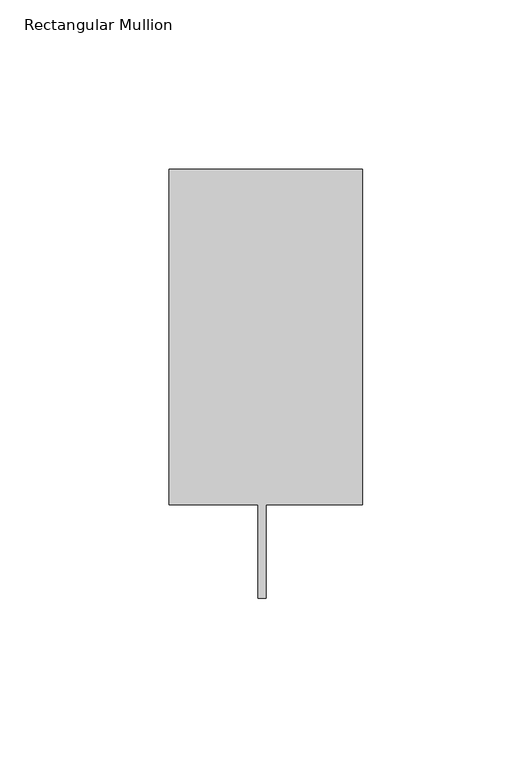
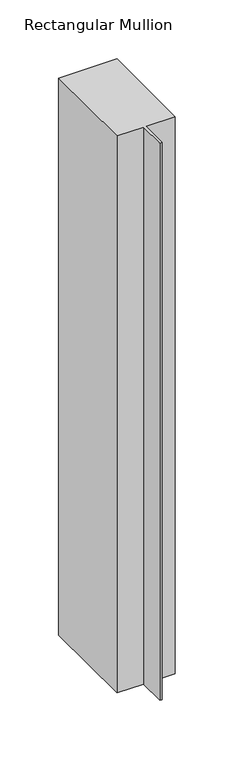
"""IFC4 building model written with IfcOpenShell, lengths in millimetres: member geometry, Rectangular Mullion."""

from ifc_helpers import new_model, si_unit, frame, origin, place, context, project, spatial, polyline, outline, extrude, source, transform, mapped, element, save


def rectangular_mullion_3a8432ce(model_context):
    return source(origin(), model_context, "Body", "SweptSolid", [
        extrude(outline(polyline([(0.0, 138.3252808), (0.0, 39.3898437), (-28.575, 39.3898437), (-28.575, 11.7038437), (-30.9626, 11.7038437), (-30.9626, 39.3898437), (-57.15, 39.3898438), (-57.15, 138.3252808), (0.0, 138.3252808)])), frame((0.0, 0.0, -577.85), z_axis=(0.0, 0.0, 1.0), x_axis=(1.0, 0.0, 0.0)), (0.0, 0.0, 1.0), 577.85),
    ])


if __name__ == "__main__":
    model = new_model("IFC4")
    model_context = context("Model", 3, world=origin())
    ifc_project = project(units=[si_unit("LENGTHUNIT", "METRE", prefix="MILLI")], contexts=[model_context])
    site = spatial("IfcSite", under=ifc_project)
    building = spatial("IfcBuilding", under=site)
    placement = place(None, origin())
    rectangular_mullion_shape = rectangular_mullion_3a8432ce(model_context)
    element("IfcMember", 1, ObjectType="Rectangular Mullion", at=placement, inside=building, context=model_context, shape_type="MappedRepresentation", body=[
        mapped(rectangular_mullion_shape, transform((0.0, 0.0, 0.0), x_axis=(1.0, 0.0, 0.0), y_axis=(0.0, 1.0, 0.0), z_axis=(0.0, 0.0, 1.0))),
    ])
    save(model, "model.ifc")
